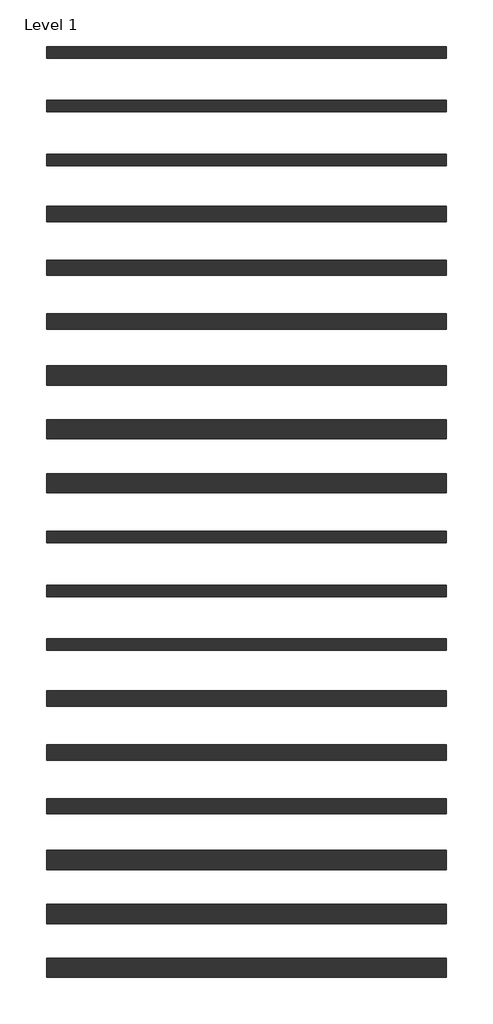
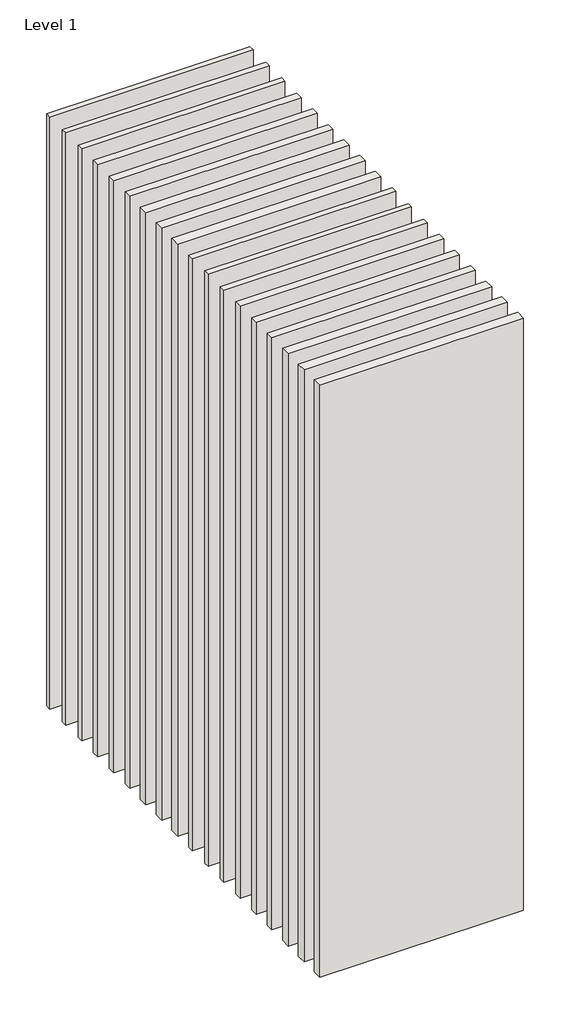
# One storey: 18 walls.
"""IFC4 building model written with IfcOpenShell, lengths in millimetres."""

import ifcopenshell
import ifcopenshell.guid

model = None  # the IFC model being written
_history = None  # IfcOwnerHistory: only IFC2X3 demands one
_inside = {}  # id of a spatial element -> (the spatial element, [elements in it])
_under = {}  # id of a project, library or spatial element -> (it, [spatial elements below it])
_declared = {}  # id of a project -> (the project, [libraries it declares])
_typed = {}  # id of a type object -> (the type object, [elements of that type])
_made_of = {}  # id of a material, layer set ... -> (it, [elements and type objects made of it])


def new_model(schema):
    """Start an empty IFC model of exactly this schema.

    Asked for "IFC4X3", IfcOpenShell would pick the latest addendum, in which some entities
    have other attributes; the version numbers below select the first issue.
    IFC2X3 requires an IfcOwnerHistory on every rooted entity: one is made here for all.
    """
    global model, _history
    if schema == "IFC4X3":
        model = ifcopenshell.file(schema_version=(4, 3, 0, 0))
    else:
        model = ifcopenshell.file(schema=schema)
    _inside.clear()
    _under.clear()
    _declared.clear()
    _typed.clear()
    _made_of.clear()
    _history = None
    if model.schema == "IFC2X3":
        org = make("IfcOrganization", Name="unknown")
        user = make(
            "IfcPersonAndOrganization",
            ThePerson=make("IfcPerson", FamilyName="unknown"),
            TheOrganization=org,
        )
        app = make(
            "IfcApplication",
            ApplicationDeveloper=org,
            Version="unknown",
            ApplicationFullName="unknown",
            ApplicationIdentifier="unknown",
        )
        _history = make(
            "IfcOwnerHistory",
            OwningUser=user,
            OwningApplication=app,
            ChangeAction="ADDED",
            CreationDate=0,
        )
    return model


def make(cls, **values):
    """One entity of the class cls with the attributes given. An attribute that is None is left unset."""
    return model.create_entity(
        cls, **{name: value for name, value in values.items() if value is not None}
    )


def rooted(cls, **values):
    """An entity with a GlobalId (a new one), such as an element, a storey or a relation."""
    return make(cls, GlobalId=ifcopenshell.guid.new(), OwnerHistory=_history, **values)


def si_unit(unit_type, name, prefix=None):
    """IfcSIUnit, for example si_unit("LENGTHUNIT", "METRE", prefix="MILLI")."""
    return make("IfcSIUnit", UnitType=unit_type, Prefix=prefix, Name=name)


def assignment(units):
    """IfcUnitAssignment: the units of a project."""
    return None if units is None else make("IfcUnitAssignment", Units=units)


def point(xyz):
    """IfcCartesianPoint."""
    return None if xyz is None else make("IfcCartesianPoint", Coordinates=xyz)


def direction(xyz):
    """IfcDirection."""
    return None if xyz is None else make("IfcDirection", DirectionRatios=xyz)


def frame(location, z_axis=None, x_axis=None):
    """IfcAxis2Placement3D, a coordinate frame: its origin and axes. An axis left out is left unset."""
    return make(
        "IfcAxis2Placement3D",
        Location=point(location),
        Axis=direction(z_axis),
        RefDirection=direction(x_axis),
    )


def origin():
    """The frame at (0, 0, 0) with its axes left unset."""
    return frame((0.0, 0.0, 0.0))


def origin_with_axes():
    """The frame at (0, 0, 0) with the z axis (0, 0, 1) and the x axis (1, 0, 0) written out."""
    return frame((0.0, 0.0, 0.0), z_axis=(0.0, 0.0, 1.0), x_axis=(1.0, 0.0, 0.0))


def place(relative_to, where):
    """IfcLocalPlacement: puts the frame where relative to a parent placement (None: the world)."""
    return make(
        "IfcLocalPlacement", PlacementRelTo=relative_to, RelativePlacement=where
    )


def context(
    kind, dimensions, precision=None, world=None, true_north=None, identifier=None
):
    """IfcGeometricRepresentationContext, for example the 3D "Model" context."""
    return make(
        "IfcGeometricRepresentationContext",
        ContextIdentifier=identifier,
        ContextType=kind,
        CoordinateSpaceDimension=dimensions,
        Precision=precision,
        WorldCoordinateSystem=world,
        TrueNorth=true_north,
    )


def project(units=None, contexts=None):
    """IfcProject with its units and contexts."""
    return rooted(
        "IfcProject",
        Name="project",
        RepresentationContexts=contexts,
        UnitsInContext=assignment(units),
    )


def spatial(cls, under=None, at=None, **own):
    """A site, building, storey or space (cls), placed at a placement, below another one or the project."""
    s = rooted(cls, ObjectPlacement=at, **own)
    if under is not None:
        _under.setdefault(under.id(), (under, []))[1].append(s)
    return s


def polyline(points):
    """IfcPolyline through the points."""
    return make("IfcPolyline", Points=[point(p) for p in points])


def outline(outer, holes=None, kind="AREA"):
    """IfcArbitraryClosedProfileDef: a profile drawn as a closed curve; with holes, ...WithVoids."""
    if holes is None:
        return make("IfcArbitraryClosedProfileDef", ProfileType=kind, OuterCurve=outer)
    return make(
        "IfcArbitraryProfileDefWithVoids",
        ProfileType=kind,
        OuterCurve=outer,
        InnerCurves=holes,
    )


def extrude(swept, where, along, depth):
    """IfcExtrudedAreaSolid: the profile swept, set in the frame where, extruded along a direction by depth."""
    return make(
        "IfcExtrudedAreaSolid",
        SweptArea=swept,
        Position=where,
        ExtrudedDirection=direction(along),
        Depth=depth,
    )


def shape(context_of_items, identifier, shape_type, items):
    """IfcShapeRepresentation: the items that make up one representation, for example the "Body"."""
    return make(
        "IfcShapeRepresentation",
        ContextOfItems=context_of_items,
        RepresentationIdentifier=identifier,
        RepresentationType=shape_type,
        Items=items,
    )


def made_of(thing, what):
    """Note that an element or type object is made of a material, layer set ...; save() writes the relation."""
    if what is not None:
        _made_of.setdefault(what.id(), (what, []))[1].append(thing)
    return thing


def element(
    cls,
    number,
    at=None,
    inside=None,
    cuts=None,
    type_object=None,
    material=None,
    context=None,
    identifier="Body",
    shape_type=None,
    held_by="IfcProductDefinitionShape",
    body=None,
    shapes=None,
    **own,
):
    """One element of the class cls, such as IfcWall. Its Tag is "e" and its number.

    at: its placement. inside: the storey or other place that contains it. cuts: it is an
    opening in that element (IfcRelVoidsElement). A single representation is given by context,
    identifier, shape_type and body (its items); several are given by shapes. held_by: the class
    of the entity that holds the representations. save() writes the other relations.
    """
    e = rooted(cls, Tag="e%d" % number, ObjectPlacement=at, **own)
    if body is not None:
        shapes = [shape(context, identifier, shape_type, body)]
    if shapes is not None:
        e.Representation = make(held_by, Representations=shapes)
    if inside is not None:
        _inside.setdefault(inside.id(), (inside, []))[1].append(e)
    if cuts is not None:
        rooted(
            "IfcRelVoidsElement", RelatingBuildingElement=cuts, RelatedOpeningElement=e
        )
    if type_object is not None:
        _typed.setdefault(type_object.id(), (type_object, []))[1].append(e)
    return made_of(e, material)


def aggregate(whole, parts):
    """IfcRelAggregates: a whole, such as a stair, and the parts it consists of."""
    return rooted("IfcRelAggregates", RelatingObject=whole, RelatedObjects=parts)


def save(model, path):
    """Write the relations noted so far, then the file.

    IfcRelAggregates (storeys below a building ...), IfcRelContainedInSpatialStructure (elements
    in a storey), IfcRelDefinesByType, IfcRelAssociatesMaterial and IfcRelDeclares: one each for
    every whole, place, type object, material and project.
    """
    for whole, parts in _under.values():
        aggregate(whole, parts)
    for where, things in _inside.values():
        rooted(
            "IfcRelContainedInSpatialStructure",
            RelatedElements=things,
            RelatingStructure=where,
        )
    for kind, things in _typed.values():
        rooted("IfcRelDefinesByType", RelatedObjects=things, RelatingType=kind)
    for what, things in _made_of.values():
        rooted("IfcRelAssociatesMaterial", RelatedObjects=things, RelatingMaterial=what)
    for by, libraries in _declared.values():
        rooted("IfcRelDeclares", RelatingContext=by, RelatedDefinitions=libraries)
    model.write(path)


model = new_model("IFC4")

# Units and contexts
model_context = context("Model", 3, world=origin())
ifc_project = project(units=[si_unit("LENGTHUNIT", "METRE", prefix="MILLI")], contexts=[model_context])

# Site, building, storey
site = spatial("IfcSite", under=ifc_project)
building = spatial("IfcBuilding", under=site)
storey = spatial("IfcBuildingStorey", under=building, Name="Level 1", Elevation=0.0)

# Walls
placement = place(None, origin())
element("IfcWall", 1, at=placement, inside=storey, context=model_context, shape_type="SweptSolid", body=[
    extrude(outline(polyline([(-16904.1464237, 3700.0198817), (-19504.1464237, 3700.0198817), (-19504.1464237, 3775.0198817), (-16904.1464237, 3775.0198817), (-16904.1464237, 3700.0198817)])), origin_with_axes(), (0.0, 0.0, 1.0), 8000.0),
])
element("IfcWall", 2, at=placement, inside=storey, context=model_context, shape_type="SweptSolid", body=[
    extrude(outline(polyline([(-16904.1464237, 3350.0198817), (-19504.1464237, 3350.0198817), (-19504.1464237, 3425.0198817), (-16904.1464237, 3425.0198817), (-16904.1464237, 3350.0198817)])), origin_with_axes(), (0.0, 0.0, 1.0), 8000.0),
])
element("IfcWall", 3, at=placement, inside=storey, context=model_context, shape_type="SweptSolid", body=[
    extrude(outline(polyline([(-16904.1464237, 3000.0198817), (-19504.1464237, 3000.0198817), (-19504.1464237, 3075.0198817), (-16904.1464237, 3075.0198817), (-16904.1464237, 3000.0198817)])), origin_with_axes(), (0.0, 0.0, 1.0), 8000.0),
])
element("IfcWall", 4, at=placement, inside=storey, context=model_context, shape_type="SweptSolid", body=[
    extrude(outline(polyline([(-16904.1464237, 2637.5198817), (-19504.1464237, 2637.5198817), (-19504.1464237, 2737.5198817), (-16904.1464237, 2737.5198817), (-16904.1464237, 2637.5198817)])), origin_with_axes(), (0.0, 0.0, 1.0), 8000.0),
])
element("IfcWall", 5, at=placement, inside=storey, context=model_context, shape_type="SweptSolid", body=[
    extrude(outline(polyline([(-16904.1464237, 2287.5198817), (-19504.1464237, 2287.5198817), (-19504.1464237, 2387.5198817), (-16904.1464237, 2387.5198817), (-16904.1464237, 2287.5198817)])), origin_with_axes(), (0.0, 0.0, 1.0), 8000.0),
])
element("IfcWall", 6, at=placement, inside=storey, context=model_context, shape_type="SweptSolid", body=[
    extrude(outline(polyline([(-16904.1464237, 1937.5198817), (-19504.1464237, 1937.5198817), (-19504.1464237, 2037.5198817), (-16904.1464237, 2037.5198817), (-16904.1464237, 1937.5198817)])), origin_with_axes(), (0.0, 0.0, 1.0), 8000.0),
])
element("IfcWall", 7, at=placement, inside=storey, context=model_context, shape_type="SweptSolid", body=[
    extrude(outline(polyline([(-16904.1464237, 1575.0198817), (-19504.1464237, 1575.0198817), (-19504.1464237, 1700.0198817), (-16904.1464237, 1700.0198817), (-16904.1464237, 1575.0198817)])), origin_with_axes(), (0.0, 0.0, 1.0), 8000.0),
])
element("IfcWall", 8, at=placement, inside=storey, context=model_context, shape_type="SweptSolid", body=[
    extrude(outline(polyline([(-16904.1464237, 1225.0198817), (-19504.1464237, 1225.0198817), (-19504.1464237, 1350.0198817), (-16904.1464237, 1350.0198817), (-16904.1464237, 1225.0198817)])), origin_with_axes(), (0.0, 0.0, 1.0), 8000.0),
])
element("IfcWall", 9, at=placement, inside=storey, context=model_context, shape_type="SweptSolid", body=[
    extrude(outline(polyline([(-16904.1464237, 875.0198817), (-19504.1464237, 875.0198817), (-19504.1464237, 1000.0198817), (-16904.1464237, 1000.0198817), (-16904.1464237, 875.0198817)])), origin_with_axes(), (0.0, 0.0, 1.0), 8000.0),
])
element("IfcWall", 10, at=placement, inside=storey, context=model_context, shape_type="SweptSolid", body=[
    extrude(outline(polyline([(-16904.1464237, 550.0198817), (-19504.1464237, 550.0198817), (-19504.1464237, 625.0198817), (-16904.1464237, 625.0198817), (-16904.1464237, 550.0198817)])), origin_with_axes(), (0.0, 0.0, 1.0), 8000.0),
])
element("IfcWall", 11, at=placement, inside=storey, context=model_context, shape_type="SweptSolid", body=[
    extrude(outline(polyline([(-16904.1464237, 200.0198817), (-19504.1464237, 200.0198817), (-19504.1464237, 275.0198817), (-16904.1464237, 275.0198817), (-16904.1464237, 200.0198817)])), origin_with_axes(), (0.0, 0.0, 1.0), 8000.0),
])
element("IfcWall", 12, at=placement, inside=storey, context=model_context, shape_type="SweptSolid", body=[
    extrude(outline(polyline([(-16904.1464237, -149.9801183), (-19504.1464237, -149.9801183), (-19504.1464237, -74.9801183), (-16904.1464237, -74.9801183), (-16904.1464237, -149.9801183)])), origin_with_axes(), (0.0, 0.0, 1.0), 8000.0),
])
element("IfcWall", 13, at=placement, inside=storey, context=model_context, shape_type="SweptSolid", body=[
    extrude(outline(polyline([(-16904.1464237, -512.4801183), (-19504.1464237, -512.4801183), (-19504.1464237, -412.4801183), (-16904.1464237, -412.4801183), (-16904.1464237, -512.4801183)])), origin_with_axes(), (0.0, 0.0, 1.0), 8000.0),
])
element("IfcWall", 14, at=placement, inside=storey, context=model_context, shape_type="SweptSolid", body=[
    extrude(outline(polyline([(-16904.1464237, -862.4801183), (-19504.1464237, -862.4801183), (-19504.1464237, -762.4801183), (-16904.1464237, -762.4801183), (-16904.1464237, -862.4801183)])), origin_with_axes(), (0.0, 0.0, 1.0), 8000.0),
])
element("IfcWall", 15, at=placement, inside=storey, context=model_context, shape_type="SweptSolid", body=[
    extrude(outline(polyline([(-16904.1464237, -1212.4801183), (-19504.1464237, -1212.4801183), (-19504.1464237, -1112.4801183), (-16904.1464237, -1112.4801183), (-16904.1464237, -1212.4801183)])), origin_with_axes(), (0.0, 0.0, 1.0), 8000.0),
])
element("IfcWall", 16, at=placement, inside=storey, context=model_context, shape_type="SweptSolid", body=[
    extrude(outline(polyline([(-16904.1464237, -1574.9801183), (-19504.1464237, -1574.9801183), (-19504.1464237, -1449.9801183), (-16904.1464237, -1449.9801183), (-16904.1464237, -1574.9801183)])), origin_with_axes(), (0.0, 0.0, 1.0), 8000.0),
])
element("IfcWall", 17, at=placement, inside=storey, context=model_context, shape_type="SweptSolid", body=[
    extrude(outline(polyline([(-16904.1464237, -1924.9801183), (-19504.1464237, -1924.9801183), (-19504.1464237, -1799.9801183), (-16904.1464237, -1799.9801183), (-16904.1464237, -1924.9801183)])), origin_with_axes(), (0.0, 0.0, 1.0), 8000.0),
])
element("IfcWall", 18, at=placement, inside=storey, context=model_context, shape_type="SweptSolid", body=[
    extrude(outline(polyline([(-16904.1464237, -2274.9801183), (-19504.1464237, -2274.9801183), (-19504.1464237, -2149.9801183), (-16904.1464237, -2149.9801183), (-16904.1464237, -2274.9801183)])), origin_with_axes(), (0.0, 0.0, 1.0), 8000.0),
])

save(model, "model.ifc")
